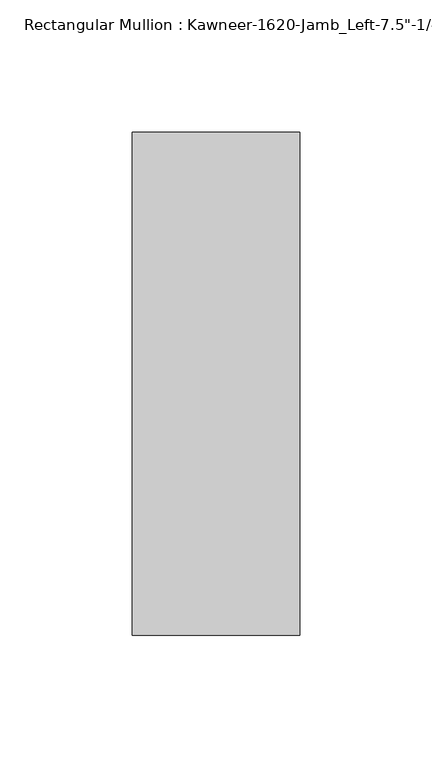
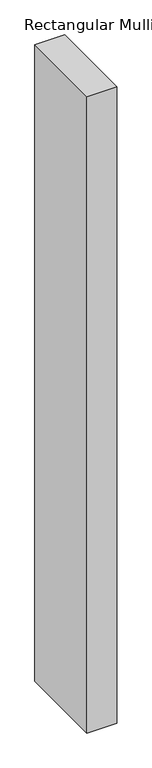
"""IFC4 building model written with IfcOpenShell, lengths in millimetres: member geometry."""

from ifc_helpers import new_model, si_unit, frame, origin, place, context, project, spatial, polyline, outline, extrude, source, transform, mapped, element, save


def member_f89fa08f(model_context):
    return source(origin(), model_context, "Body", "SweptSolid", [
        extrude(outline(polyline([(-63.5, 28.575), (0.0, 28.575), (0.0, -161.925), (-63.5, -161.925), (-63.5, 28.575)])), frame((0.0, 0.0, -1422.4), z_axis=(0.0, 0.0, 1.0), x_axis=(1.0, 0.0, 0.0)), (0.0, 0.0, 1.0), 1422.4),
    ])


if __name__ == "__main__":
    model = new_model("IFC4")
    model_context = context("Model", 3, world=origin())
    ifc_project = project(units=[si_unit("LENGTHUNIT", "METRE", prefix="MILLI")], contexts=[model_context])
    site = spatial("IfcSite", under=ifc_project)
    building = spatial("IfcBuilding", under=site)
    placement = place(None, origin())
    member_shape = member_f89fa08f(model_context)
    element("IfcMember", 1, ObjectType="Rectangular Mullion : Kawneer-1620-Jamb_Left-7.5\"-1/4\"Infill", at=placement, inside=building, context=model_context, shape_type="MappedRepresentation", body=[
        mapped(member_shape, transform((0.0, 0.0, 0.0), x_axis=(1.0, 0.0, 0.0), y_axis=(0.0, 1.0, 0.0), z_axis=(0.0, 0.0, 1.0))),
    ])
    save(model, "model.ifc")
